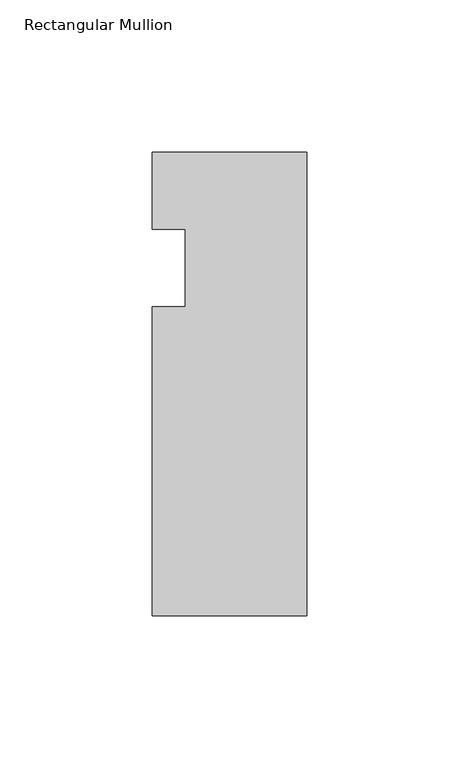
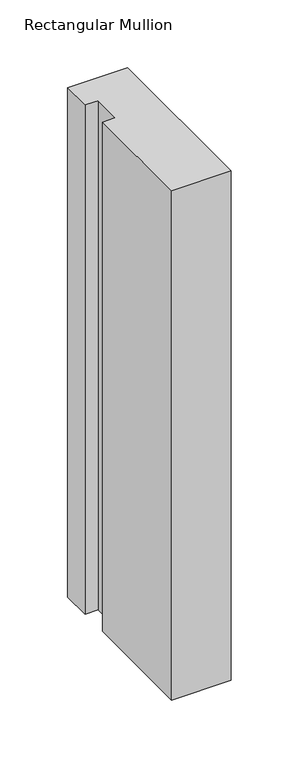
"""IFC4 building model written with IfcOpenShell, lengths in millimetres: member geometry, Rectangular Mullion."""

from ifc_helpers import new_model, si_unit, frame, origin, place, context, project, spatial, polyline, outline, extrude, source, transform, mapped, element, save


def rectangular_mullion_2b56a323(model_context):
    return source(origin(), model_context, "Body", "SweptSolid", [
        extrude(outline(polyline([(-50.8, -152.4), (-50.8, -50.8), (-39.8272, -50.8), (-39.8272, -25.4), (-50.8, -25.4), (-50.8, 0.0), (0.0, 0.0), (0.0, -152.4), (-50.8, -152.4)])), frame((0.0, 0.0, -457.2), z_axis=(0.0, 0.0, 1.0), x_axis=(1.0, 0.0, 0.0)), (0.0, 0.0, 1.0), 457.2),
    ])


if __name__ == "__main__":
    model = new_model("IFC4")
    model_context = context("Model", 3, world=origin())
    ifc_project = project(units=[si_unit("LENGTHUNIT", "METRE", prefix="MILLI")], contexts=[model_context])
    site = spatial("IfcSite", under=ifc_project)
    building = spatial("IfcBuilding", under=site)
    placement = place(None, origin())
    rectangular_mullion_shape = rectangular_mullion_2b56a323(model_context)
    element("IfcMember", 1, ObjectType="Rectangular Mullion", at=placement, inside=building, context=model_context, shape_type="MappedRepresentation", body=[
        mapped(rectangular_mullion_shape, transform((0.0, 0.0, 0.0), x_axis=(1.0, 0.0, 0.0), y_axis=(0.0, 1.0, 0.0), z_axis=(0.0, 0.0, 1.0))),
    ])
    save(model, "model.ifc")
